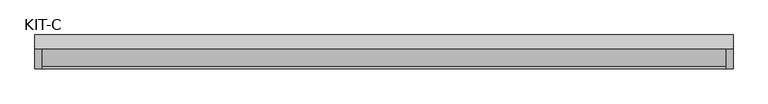
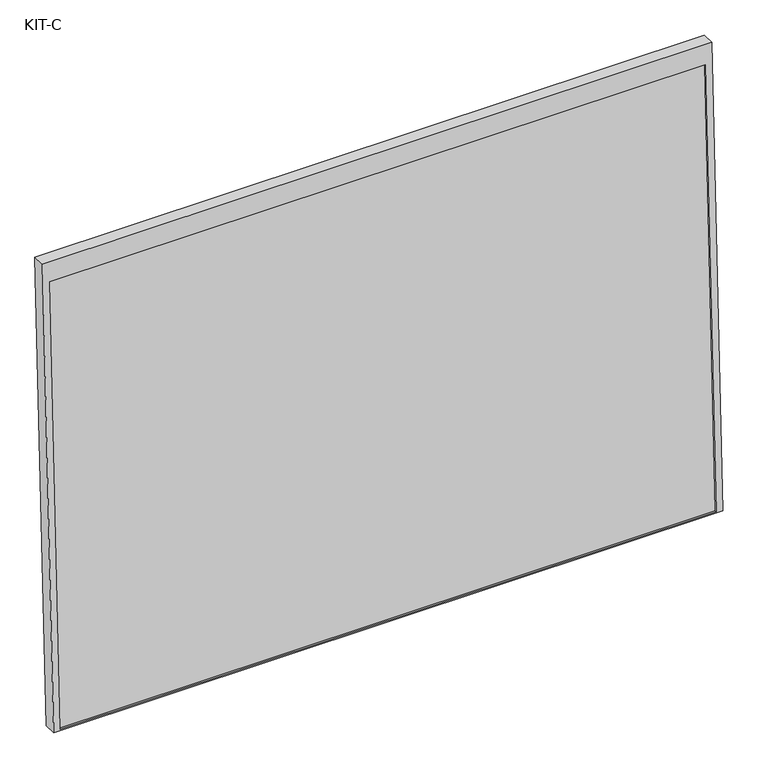
"""IFC4 building model written with IfcOpenShell, lengths in millimetres: plate geometry, KIT-C."""

from ifc_helpers import new_model, si_unit, frame, origin, place, context, project, spatial, polyline, outline, extrude, source, transform, mapped, element, save


def kit_c_4ca518dc(model_context):
    return source(origin(), model_context, "Body", "SweptSolid", [
        extrude(outline(polyline([(0.0, -1754.0), (0.0, 0.0), (27.4505712, 0.0), (27.4505712, -1754.0), (0.0, -1754.0)])), frame((-877.0, -68.9260812, -49.4638085), z_axis=(0.0, 0.03973683410233643, 0.9992101801000245), x_axis=(0.0, 0.9992101801000245, -0.03973683410233643)), (0.0, 0.0, 1.0), 1236.5315929),
        extrude(outline(polyline([(0.0, 0.0), (0.0, -1791.0), (-1295.0000001, -1791.0), (-1295.0000001, 0.0), (0.0, 0.0)]), holes=[polyline([(-55.0, -18.5), (-1291.531593, -18.5), (-1291.531593, -1772.5), (-55.0, -1772.5), (-55.0, -18.5)])]), frame((-895.5, 12.3716008, 1239.8556021), z_axis=(0.0, -0.9992101801000247, 0.03973683410233422), x_axis=(0.0, 0.03973683410233422, 0.9992101801000247)), (0.0, 0.0, 1.0), 35.0),
    ])


if __name__ == "__main__":
    model = new_model("IFC4")
    model_context = context("Model", 3, world=origin())
    ifc_project = project(units=[si_unit("LENGTHUNIT", "METRE", prefix="MILLI")], contexts=[model_context])
    site = spatial("IfcSite", under=ifc_project)
    building = spatial("IfcBuilding", under=site)
    placement = place(None, origin())
    kit_c_shape = kit_c_4ca518dc(model_context)
    element("IfcPlate", 1, ObjectType="KIT-C", at=placement, inside=building, context=model_context, shape_type="MappedRepresentation", body=[
        mapped(kit_c_shape, transform((0.0, 0.0, 0.0), x_axis=(1.0, 0.0, 0.0), y_axis=(0.0, 1.0, 0.0), z_axis=(0.0, 0.0, 1.0))),
    ])
    save(model, "model.ifc")
